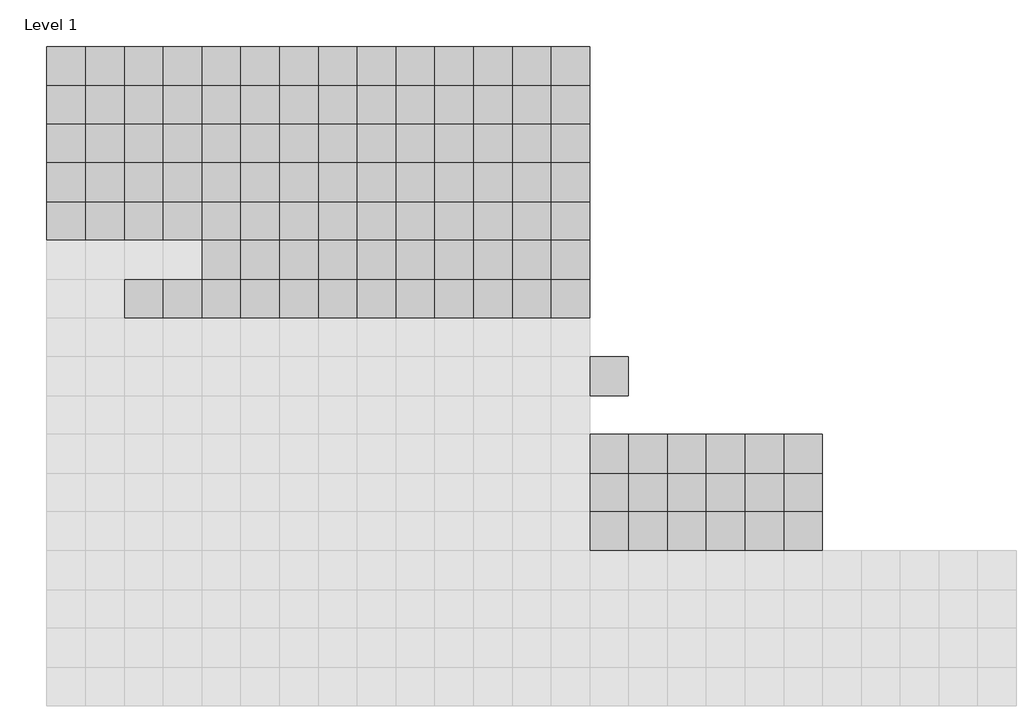
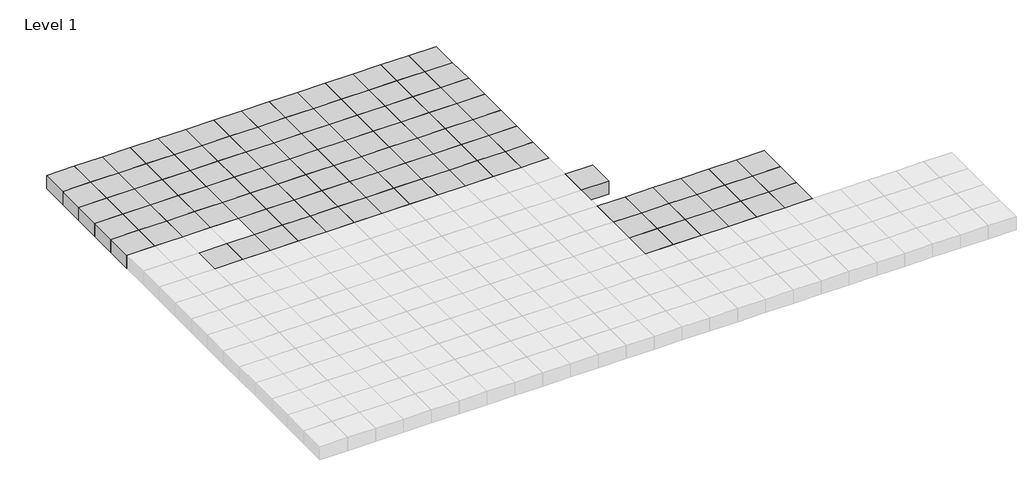
# One storey, part 25 of 30: 111 columns.
"""IFC4 building model written with IfcOpenShell, lengths in millimetres."""

import ifcopenshell
import ifcopenshell.guid

model = None  # the IFC model being written
_history = None  # IfcOwnerHistory: only IFC2X3 demands one
_inside = {}  # id of a spatial element -> (the spatial element, [elements in it])
_under = {}  # id of a project, library or spatial element -> (it, [spatial elements below it])
_declared = {}  # id of a project -> (the project, [libraries it declares])
_typed = {}  # id of a type object -> (the type object, [elements of that type])
_made_of = {}  # id of a material, layer set ... -> (it, [elements and type objects made of it])


def new_model(schema):
    """Start an empty IFC model of exactly this schema.

    Asked for "IFC4X3", IfcOpenShell would pick the latest addendum, in which some entities
    have other attributes; the version numbers below select the first issue.
    IFC2X3 requires an IfcOwnerHistory on every rooted entity: one is made here for all.
    """
    global model, _history
    if schema == "IFC4X3":
        model = ifcopenshell.file(schema_version=(4, 3, 0, 0))
    else:
        model = ifcopenshell.file(schema=schema)
    _inside.clear()
    _under.clear()
    _declared.clear()
    _typed.clear()
    _made_of.clear()
    _history = None
    if model.schema == "IFC2X3":
        org = make("IfcOrganization", Name="unknown")
        user = make(
            "IfcPersonAndOrganization",
            ThePerson=make("IfcPerson", FamilyName="unknown"),
            TheOrganization=org,
        )
        app = make(
            "IfcApplication",
            ApplicationDeveloper=org,
            Version="unknown",
            ApplicationFullName="unknown",
            ApplicationIdentifier="unknown",
        )
        _history = make(
            "IfcOwnerHistory",
            OwningUser=user,
            OwningApplication=app,
            ChangeAction="ADDED",
            CreationDate=0,
        )
    return model


def make(cls, **values):
    """One entity of the class cls with the attributes given. An attribute that is None is left unset."""
    return model.create_entity(
        cls, **{name: value for name, value in values.items() if value is not None}
    )


def rooted(cls, **values):
    """An entity with a GlobalId (a new one), such as an element, a storey or a relation."""
    return make(cls, GlobalId=ifcopenshell.guid.new(), OwnerHistory=_history, **values)


def si_unit(unit_type, name, prefix=None):
    """IfcSIUnit, for example si_unit("LENGTHUNIT", "METRE", prefix="MILLI")."""
    return make("IfcSIUnit", UnitType=unit_type, Prefix=prefix, Name=name)


def assignment(units):
    """IfcUnitAssignment: the units of a project."""
    return None if units is None else make("IfcUnitAssignment", Units=units)


def point(xyz):
    """IfcCartesianPoint."""
    return None if xyz is None else make("IfcCartesianPoint", Coordinates=xyz)


def direction(xyz):
    """IfcDirection."""
    return None if xyz is None else make("IfcDirection", DirectionRatios=xyz)


def frame(location, z_axis=None, x_axis=None):
    """IfcAxis2Placement3D, a coordinate frame: its origin and axes. An axis left out is left unset."""
    return make(
        "IfcAxis2Placement3D",
        Location=point(location),
        Axis=direction(z_axis),
        RefDirection=direction(x_axis),
    )


def origin():
    """The frame at (0, 0, 0) with its axes left unset."""
    return frame((0.0, 0.0, 0.0))


def origin_with_axes():
    """The frame at (0, 0, 0) with the z axis (0, 0, 1) and the x axis (1, 0, 0) written out."""
    return frame((0.0, 0.0, 0.0), z_axis=(0.0, 0.0, 1.0), x_axis=(1.0, 0.0, 0.0))


def place(relative_to, where):
    """IfcLocalPlacement: puts the frame where relative to a parent placement (None: the world)."""
    return make(
        "IfcLocalPlacement", PlacementRelTo=relative_to, RelativePlacement=where
    )


def context(
    kind, dimensions, precision=None, world=None, true_north=None, identifier=None
):
    """IfcGeometricRepresentationContext, for example the 3D "Model" context."""
    return make(
        "IfcGeometricRepresentationContext",
        ContextIdentifier=identifier,
        ContextType=kind,
        CoordinateSpaceDimension=dimensions,
        Precision=precision,
        WorldCoordinateSystem=world,
        TrueNorth=true_north,
    )


def project(units=None, contexts=None):
    """IfcProject with its units and contexts."""
    return rooted(
        "IfcProject",
        Name="project",
        RepresentationContexts=contexts,
        UnitsInContext=assignment(units),
    )


def spatial(cls, under=None, at=None, **own):
    """A site, building, storey or space (cls), placed at a placement, below another one or the project."""
    s = rooted(cls, ObjectPlacement=at, **own)
    if under is not None:
        _under.setdefault(under.id(), (under, []))[1].append(s)
    return s


def polyline(points):
    """IfcPolyline through the points."""
    return make("IfcPolyline", Points=[point(p) for p in points])


def outline(outer, holes=None, kind="AREA"):
    """IfcArbitraryClosedProfileDef: a profile drawn as a closed curve; with holes, ...WithVoids."""
    if holes is None:
        return make("IfcArbitraryClosedProfileDef", ProfileType=kind, OuterCurve=outer)
    return make(
        "IfcArbitraryProfileDefWithVoids",
        ProfileType=kind,
        OuterCurve=outer,
        InnerCurves=holes,
    )


def extrude(swept, where, along, depth):
    """IfcExtrudedAreaSolid: the profile swept, set in the frame where, extruded along a direction by depth."""
    return make(
        "IfcExtrudedAreaSolid",
        SweptArea=swept,
        Position=where,
        ExtrudedDirection=direction(along),
        Depth=depth,
    )


def shape(context_of_items, identifier, shape_type, items):
    """IfcShapeRepresentation: the items that make up one representation, for example the "Body"."""
    return make(
        "IfcShapeRepresentation",
        ContextOfItems=context_of_items,
        RepresentationIdentifier=identifier,
        RepresentationType=shape_type,
        Items=items,
    )


def source(mapping_origin, context_of_items, identifier, shape_type, items):
    """IfcRepresentationMap: a shape defined once, which mapped items show again and again."""
    return make(
        "IfcRepresentationMap",
        MappingOrigin=mapping_origin,
        MappedRepresentation=shape(context_of_items, identifier, shape_type, items),
    )


def transform(
    local_origin,
    x_axis=None,
    y_axis=None,
    z_axis=None,
    scale=None,
    scale2=None,
    scale3=None,
    uniform=True,
):
    """IfcCartesianTransformationOperator3D, or its non-uniform kind. x_axis, y_axis, z_axis: its Axis1, 2, 3."""
    if uniform:
        return make(
            "IfcCartesianTransformationOperator3D",
            Axis1=direction(x_axis),
            Axis2=direction(y_axis),
            LocalOrigin=point(local_origin),
            Scale=scale,
            Axis3=direction(z_axis),
        )
    return make(
        "IfcCartesianTransformationOperator3DnonUniform",
        Axis1=direction(x_axis),
        Axis2=direction(y_axis),
        LocalOrigin=point(local_origin),
        Scale=scale,
        Axis3=direction(z_axis),
        Scale2=scale2,
        Scale3=scale3,
    )


def mapped(mapping_source, mapping_target):
    """IfcMappedItem: shows the shape of a source again, moved by a transform."""
    return make(
        "IfcMappedItem", MappingSource=mapping_source, MappingTarget=mapping_target
    )


def made_of(thing, what):
    """Note that an element or type object is made of a material, layer set ...; save() writes the relation."""
    if what is not None:
        _made_of.setdefault(what.id(), (what, []))[1].append(thing)
    return thing


def element(
    cls,
    number,
    at=None,
    inside=None,
    cuts=None,
    type_object=None,
    material=None,
    context=None,
    identifier="Body",
    shape_type=None,
    held_by="IfcProductDefinitionShape",
    body=None,
    shapes=None,
    **own,
):
    """One element of the class cls, such as IfcWall. Its Tag is "e" and its number.

    at: its placement. inside: the storey or other place that contains it. cuts: it is an
    opening in that element (IfcRelVoidsElement). A single representation is given by context,
    identifier, shape_type and body (its items); several are given by shapes. held_by: the class
    of the entity that holds the representations. save() writes the other relations.
    """
    e = rooted(cls, Tag="e%d" % number, ObjectPlacement=at, **own)
    if body is not None:
        shapes = [shape(context, identifier, shape_type, body)]
    if shapes is not None:
        e.Representation = make(held_by, Representations=shapes)
    if inside is not None:
        _inside.setdefault(inside.id(), (inside, []))[1].append(e)
    if cuts is not None:
        rooted(
            "IfcRelVoidsElement", RelatingBuildingElement=cuts, RelatedOpeningElement=e
        )
    if type_object is not None:
        _typed.setdefault(type_object.id(), (type_object, []))[1].append(e)
    return made_of(e, material)


def aggregate(whole, parts):
    """IfcRelAggregates: a whole, such as a stair, and the parts it consists of."""
    return rooted("IfcRelAggregates", RelatingObject=whole, RelatedObjects=parts)


def save(model, path):
    """Write the relations noted so far, then the file.

    IfcRelAggregates (storeys below a building ...), IfcRelContainedInSpatialStructure (elements
    in a storey), IfcRelDefinesByType, IfcRelAssociatesMaterial and IfcRelDeclares: one each for
    every whole, place, type object, material and project.
    """
    for whole, parts in _under.values():
        aggregate(whole, parts)
    for where, things in _inside.values():
        rooted(
            "IfcRelContainedInSpatialStructure",
            RelatedElements=things,
            RelatingStructure=where,
        )
    for kind, things in _typed.values():
        rooted("IfcRelDefinesByType", RelatedObjects=things, RelatingType=kind)
    for what, things in _made_of.values():
        rooted("IfcRelAssociatesMaterial", RelatedObjects=things, RelatingMaterial=what)
    for by, libraries in _declared.values():
        rooted("IfcRelDeclares", RelatingContext=by, RelatedDefinitions=libraries)
    model.write(path)


def m_concrete_square_column_600_x_600mm_cc081a69(model_context):
    return source(origin(), model_context, "Body", "SweptSolid", [
        extrude(outline(polyline([(300.0, 300.0), (300.0, -300.0), (-300.0, -300.0), (-300.0, 300.0), (300.0, 300.0)])), origin_with_axes(), (0.0, 0.0, 1.0), 300.0),
    ])


model = new_model("IFC4")

# Units and contexts
model_context = context("Model", 3, world=origin())
ifc_project = project(units=[si_unit("LENGTHUNIT", "METRE", prefix="MILLI")], contexts=[model_context])

# Site, building, storey
site = spatial("IfcSite", under=ifc_project)
building = spatial("IfcBuilding", under=site)
storey = spatial("IfcBuildingStorey", under=building, Name="Level 1", Elevation=0.0)

# Columns
placement = place(None, origin())
m_concrete_square_column_600_x_600mm_shape = m_concrete_square_column_600_x_600mm_cc081a69(model_context)
element("IfcColumn", 1, ObjectType="M_Concrete-Square-Column : 600 x 600mm", at=placement, inside=storey, context=model_context, shape_type="MappedRepresentation", body=[
    mapped(m_concrete_square_column_600_x_600mm_shape, transform((96050.9001936, 15669.0976583, 0.0), x_axis=(1.0, 0.0, 0.0), y_axis=(0.0, 1.0, 0.0), z_axis=(0.0, 0.0, 1.0))),
])
element("IfcColumn", 2, ObjectType="M_Concrete-Square-Column : 600 x 600mm", at=placement, inside=storey, context=model_context, shape_type="MappedRepresentation", body=[
    mapped(m_concrete_square_column_600_x_600mm_shape, transform((96650.9001936, 15669.0976583, 0.0), x_axis=(1.0, 0.0, 0.0), y_axis=(0.0, 1.0, 0.0), z_axis=(0.0, 0.0, 1.0))),
])
element("IfcColumn", 3, ObjectType="M_Concrete-Square-Column : 600 x 600mm", at=placement, inside=storey, context=model_context, shape_type="MappedRepresentation", body=[
    mapped(m_concrete_square_column_600_x_600mm_shape, transform((97250.9001936, 15669.0976583, 0.0), x_axis=(1.0, 0.0, 0.0), y_axis=(0.0, 1.0, 0.0), z_axis=(0.0, 0.0, 1.0))),
])
element("IfcColumn", 4, ObjectType="M_Concrete-Square-Column : 600 x 600mm", at=placement, inside=storey, context=model_context, shape_type="MappedRepresentation", body=[
    mapped(m_concrete_square_column_600_x_600mm_shape, transform((97850.9001936, 15669.0976583, 0.0), x_axis=(1.0, 0.0, 0.0), y_axis=(0.0, 1.0, 0.0), z_axis=(0.0, 0.0, 1.0))),
])
element("IfcColumn", 5, ObjectType="M_Concrete-Square-Column : 600 x 600mm", at=placement, inside=storey, context=model_context, shape_type="MappedRepresentation", body=[
    mapped(m_concrete_square_column_600_x_600mm_shape, transform((98450.9001936, 15669.0976583, 0.0), x_axis=(1.0, 0.0, 0.0), y_axis=(0.0, 1.0, 0.0), z_axis=(0.0, 0.0, 1.0))),
])
element("IfcColumn", 6, ObjectType="M_Concrete-Square-Column : 600 x 600mm", at=placement, inside=storey, context=model_context, shape_type="MappedRepresentation", body=[
    mapped(m_concrete_square_column_600_x_600mm_shape, transform((96050.9001936, 15069.0976583, 0.0), x_axis=(1.0, 0.0, 0.0), y_axis=(0.0, 1.0, 0.0), z_axis=(0.0, 0.0, 1.0))),
])
element("IfcColumn", 7, ObjectType="M_Concrete-Square-Column : 600 x 600mm", at=placement, inside=storey, context=model_context, shape_type="MappedRepresentation", body=[
    mapped(m_concrete_square_column_600_x_600mm_shape, transform((96650.9001936, 15069.0976583, 0.0), x_axis=(1.0, 0.0, 0.0), y_axis=(0.0, 1.0, 0.0), z_axis=(0.0, 0.0, 1.0))),
])
element("IfcColumn", 8, ObjectType="M_Concrete-Square-Column : 600 x 600mm", at=placement, inside=storey, context=model_context, shape_type="MappedRepresentation", body=[
    mapped(m_concrete_square_column_600_x_600mm_shape, transform((97250.9001936, 15069.0976583, 0.0), x_axis=(1.0, 0.0, 0.0), y_axis=(0.0, 1.0, 0.0), z_axis=(0.0, 0.0, 1.0))),
])
element("IfcColumn", 9, ObjectType="M_Concrete-Square-Column : 600 x 600mm", at=placement, inside=storey, context=model_context, shape_type="MappedRepresentation", body=[
    mapped(m_concrete_square_column_600_x_600mm_shape, transform((97850.9001936, 15069.0976583, 0.0), x_axis=(1.0, 0.0, 0.0), y_axis=(0.0, 1.0, 0.0), z_axis=(0.0, 0.0, 1.0))),
])
element("IfcColumn", 10, ObjectType="M_Concrete-Square-Column : 600 x 600mm", at=placement, inside=storey, context=model_context, shape_type="MappedRepresentation", body=[
    mapped(m_concrete_square_column_600_x_600mm_shape, transform((98450.9001936, 15069.0976583, 0.0), x_axis=(1.0, 0.0, 0.0), y_axis=(0.0, 1.0, 0.0), z_axis=(0.0, 0.0, 1.0))),
])
element("IfcColumn", 11, ObjectType="M_Concrete-Square-Column : 600 x 600mm", at=placement, inside=storey, context=model_context, shape_type="MappedRepresentation", body=[
    mapped(m_concrete_square_column_600_x_600mm_shape, transform((96050.9001936, 14469.0976583, 0.0), x_axis=(1.0, 0.0, 0.0), y_axis=(0.0, 1.0, 0.0), z_axis=(0.0, 0.0, 1.0))),
])
element("IfcColumn", 12, ObjectType="M_Concrete-Square-Column : 600 x 600mm", at=placement, inside=storey, context=model_context, shape_type="MappedRepresentation", body=[
    mapped(m_concrete_square_column_600_x_600mm_shape, transform((96650.9001936, 14469.0976583, 0.0), x_axis=(1.0, 0.0, 0.0), y_axis=(0.0, 1.0, 0.0), z_axis=(0.0, 0.0, 1.0))),
])
element("IfcColumn", 13, ObjectType="M_Concrete-Square-Column : 600 x 600mm", at=placement, inside=storey, context=model_context, shape_type="MappedRepresentation", body=[
    mapped(m_concrete_square_column_600_x_600mm_shape, transform((97250.9001936, 14469.0976583, 0.0), x_axis=(1.0, 0.0, 0.0), y_axis=(0.0, 1.0, 0.0), z_axis=(0.0, 0.0, 1.0))),
])
element("IfcColumn", 14, ObjectType="M_Concrete-Square-Column : 600 x 600mm", at=placement, inside=storey, context=model_context, shape_type="MappedRepresentation", body=[
    mapped(m_concrete_square_column_600_x_600mm_shape, transform((97850.9001936, 14469.0976583, 0.0), x_axis=(1.0, 0.0, 0.0), y_axis=(0.0, 1.0, 0.0), z_axis=(0.0, 0.0, 1.0))),
])
element("IfcColumn", 15, ObjectType="M_Concrete-Square-Column : 600 x 600mm", at=placement, inside=storey, context=model_context, shape_type="MappedRepresentation", body=[
    mapped(m_concrete_square_column_600_x_600mm_shape, transform((98450.9001936, 14469.0976583, 0.0), x_axis=(1.0, 0.0, 0.0), y_axis=(0.0, 1.0, 0.0), z_axis=(0.0, 0.0, 1.0))),
])
element("IfcColumn", 16, ObjectType="M_Concrete-Square-Column : 600 x 600mm", at=placement, inside=storey, context=model_context, shape_type="MappedRepresentation", body=[
    mapped(m_concrete_square_column_600_x_600mm_shape, transform((99050.9001936, 15669.0976583, 0.0), x_axis=(1.0, 0.0, 0.0), y_axis=(0.0, 1.0, 0.0), z_axis=(0.0, 0.0, 1.0))),
])
element("IfcColumn", 17, ObjectType="M_Concrete-Square-Column : 600 x 600mm", at=placement, inside=storey, context=model_context, shape_type="MappedRepresentation", body=[
    mapped(m_concrete_square_column_600_x_600mm_shape, transform((99650.9001936, 15669.0976583, 0.0), x_axis=(1.0, 0.0, 0.0), y_axis=(0.0, 1.0, 0.0), z_axis=(0.0, 0.0, 1.0))),
])
element("IfcColumn", 18, ObjectType="M_Concrete-Square-Column : 600 x 600mm", at=placement, inside=storey, context=model_context, shape_type="MappedRepresentation", body=[
    mapped(m_concrete_square_column_600_x_600mm_shape, transform((100250.9001936, 15669.0976583, 0.0), x_axis=(1.0, 0.0, 0.0), y_axis=(0.0, 1.0, 0.0), z_axis=(0.0, 0.0, 1.0))),
])
element("IfcColumn", 19, ObjectType="M_Concrete-Square-Column : 600 x 600mm", at=placement, inside=storey, context=model_context, shape_type="MappedRepresentation", body=[
    mapped(m_concrete_square_column_600_x_600mm_shape, transform((100850.9001936, 15669.0976583, 0.0), x_axis=(1.0, 0.0, 0.0), y_axis=(0.0, 1.0, 0.0), z_axis=(0.0, 0.0, 1.0))),
])
element("IfcColumn", 20, ObjectType="M_Concrete-Square-Column : 600 x 600mm", at=placement, inside=storey, context=model_context, shape_type="MappedRepresentation", body=[
    mapped(m_concrete_square_column_600_x_600mm_shape, transform((101450.9001936, 15669.0976583, 0.0), x_axis=(1.0, 0.0, 0.0), y_axis=(0.0, 1.0, 0.0), z_axis=(0.0, 0.0, 1.0))),
])
element("IfcColumn", 21, ObjectType="M_Concrete-Square-Column : 600 x 600mm", at=placement, inside=storey, context=model_context, shape_type="MappedRepresentation", body=[
    mapped(m_concrete_square_column_600_x_600mm_shape, transform((99050.9001936, 15069.0976583, 0.0), x_axis=(1.0, 0.0, 0.0), y_axis=(0.0, 1.0, 0.0), z_axis=(0.0, 0.0, 1.0))),
])
element("IfcColumn", 22, ObjectType="M_Concrete-Square-Column : 600 x 600mm", at=placement, inside=storey, context=model_context, shape_type="MappedRepresentation", body=[
    mapped(m_concrete_square_column_600_x_600mm_shape, transform((99650.9001936, 15069.0976583, 0.0), x_axis=(1.0, 0.0, 0.0), y_axis=(0.0, 1.0, 0.0), z_axis=(0.0, 0.0, 1.0))),
])
element("IfcColumn", 23, ObjectType="M_Concrete-Square-Column : 600 x 600mm", at=placement, inside=storey, context=model_context, shape_type="MappedRepresentation", body=[
    mapped(m_concrete_square_column_600_x_600mm_shape, transform((100250.9001936, 15069.0976583, 0.0), x_axis=(1.0, 0.0, 0.0), y_axis=(0.0, 1.0, 0.0), z_axis=(0.0, 0.0, 1.0))),
])
element("IfcColumn", 24, ObjectType="M_Concrete-Square-Column : 600 x 600mm", at=placement, inside=storey, context=model_context, shape_type="MappedRepresentation", body=[
    mapped(m_concrete_square_column_600_x_600mm_shape, transform((100850.9001936, 15069.0976583, 0.0), x_axis=(1.0, 0.0, 0.0), y_axis=(0.0, 1.0, 0.0), z_axis=(0.0, 0.0, 1.0))),
])
element("IfcColumn", 25, ObjectType="M_Concrete-Square-Column : 600 x 600mm", at=placement, inside=storey, context=model_context, shape_type="MappedRepresentation", body=[
    mapped(m_concrete_square_column_600_x_600mm_shape, transform((101450.9001936, 15069.0976583, 0.0), x_axis=(1.0, 0.0, 0.0), y_axis=(0.0, 1.0, 0.0), z_axis=(0.0, 0.0, 1.0))),
])
element("IfcColumn", 26, ObjectType="M_Concrete-Square-Column : 600 x 600mm", at=placement, inside=storey, context=model_context, shape_type="MappedRepresentation", body=[
    mapped(m_concrete_square_column_600_x_600mm_shape, transform((99050.9001936, 14469.0976583, 0.0), x_axis=(1.0, 0.0, 0.0), y_axis=(0.0, 1.0, 0.0), z_axis=(0.0, 0.0, 1.0))),
])
element("IfcColumn", 27, ObjectType="M_Concrete-Square-Column : 600 x 600mm", at=placement, inside=storey, context=model_context, shape_type="MappedRepresentation", body=[
    mapped(m_concrete_square_column_600_x_600mm_shape, transform((99650.9001936, 14469.0976583, 0.0), x_axis=(1.0, 0.0, 0.0), y_axis=(0.0, 1.0, 0.0), z_axis=(0.0, 0.0, 1.0))),
])
element("IfcColumn", 28, ObjectType="M_Concrete-Square-Column : 600 x 600mm", at=placement, inside=storey, context=model_context, shape_type="MappedRepresentation", body=[
    mapped(m_concrete_square_column_600_x_600mm_shape, transform((100250.9001936, 14469.0976583, 0.0), x_axis=(1.0, 0.0, 0.0), y_axis=(0.0, 1.0, 0.0), z_axis=(0.0, 0.0, 1.0))),
])
element("IfcColumn", 29, ObjectType="M_Concrete-Square-Column : 600 x 600mm", at=placement, inside=storey, context=model_context, shape_type="MappedRepresentation", body=[
    mapped(m_concrete_square_column_600_x_600mm_shape, transform((100850.9001936, 14469.0976583, 0.0), x_axis=(1.0, 0.0, 0.0), y_axis=(0.0, 1.0, 0.0), z_axis=(0.0, 0.0, 1.0))),
])
element("IfcColumn", 30, ObjectType="M_Concrete-Square-Column : 600 x 600mm", at=placement, inside=storey, context=model_context, shape_type="MappedRepresentation", body=[
    mapped(m_concrete_square_column_600_x_600mm_shape, transform((101450.9001936, 14469.0976583, 0.0), x_axis=(1.0, 0.0, 0.0), y_axis=(0.0, 1.0, 0.0), z_axis=(0.0, 0.0, 1.0))),
])
element("IfcColumn", 31, ObjectType="M_Concrete-Square-Column : 600 x 600mm", at=placement, inside=storey, context=model_context, shape_type="MappedRepresentation", body=[
    mapped(m_concrete_square_column_600_x_600mm_shape, transform((102050.9001936, 15669.0976583, 0.0), x_axis=(1.0, 0.0, 0.0), y_axis=(0.0, 1.0, 0.0), z_axis=(0.0, 0.0, 1.0))),
])
element("IfcColumn", 32, ObjectType="M_Concrete-Square-Column : 600 x 600mm", at=placement, inside=storey, context=model_context, shape_type="MappedRepresentation", body=[
    mapped(m_concrete_square_column_600_x_600mm_shape, transform((102650.9001936, 15669.0976583, 0.0), x_axis=(1.0, 0.0, 0.0), y_axis=(0.0, 1.0, 0.0), z_axis=(0.0, 0.0, 1.0))),
])
element("IfcColumn", 33, ObjectType="M_Concrete-Square-Column : 600 x 600mm", at=placement, inside=storey, context=model_context, shape_type="MappedRepresentation", body=[
    mapped(m_concrete_square_column_600_x_600mm_shape, transform((103250.9001936, 15669.0976583, 0.0), x_axis=(1.0, 0.0, 0.0), y_axis=(0.0, 1.0, 0.0), z_axis=(0.0, 0.0, 1.0))),
])
element("IfcColumn", 34, ObjectType="M_Concrete-Square-Column : 600 x 600mm", at=placement, inside=storey, context=model_context, shape_type="MappedRepresentation", body=[
    mapped(m_concrete_square_column_600_x_600mm_shape, transform((103850.9001936, 15669.0976583, 0.0), x_axis=(1.0, 0.0, 0.0), y_axis=(0.0, 1.0, 0.0), z_axis=(0.0, 0.0, 1.0))),
])
element("IfcColumn", 35, ObjectType="M_Concrete-Square-Column : 600 x 600mm", at=placement, inside=storey, context=model_context, shape_type="MappedRepresentation", body=[
    mapped(m_concrete_square_column_600_x_600mm_shape, transform((102050.9001936, 15069.0976583, 0.0), x_axis=(1.0, 0.0, 0.0), y_axis=(0.0, 1.0, 0.0), z_axis=(0.0, 0.0, 1.0))),
])
element("IfcColumn", 36, ObjectType="M_Concrete-Square-Column : 600 x 600mm", at=placement, inside=storey, context=model_context, shape_type="MappedRepresentation", body=[
    mapped(m_concrete_square_column_600_x_600mm_shape, transform((102650.9001936, 15069.0976583, 0.0), x_axis=(1.0, 0.0, 0.0), y_axis=(0.0, 1.0, 0.0), z_axis=(0.0, 0.0, 1.0))),
])
element("IfcColumn", 37, ObjectType="M_Concrete-Square-Column : 600 x 600mm", at=placement, inside=storey, context=model_context, shape_type="MappedRepresentation", body=[
    mapped(m_concrete_square_column_600_x_600mm_shape, transform((103250.9001936, 15069.0976583, 0.0), x_axis=(1.0, 0.0, 0.0), y_axis=(0.0, 1.0, 0.0), z_axis=(0.0, 0.0, 1.0))),
])
element("IfcColumn", 38, ObjectType="M_Concrete-Square-Column : 600 x 600mm", at=placement, inside=storey, context=model_context, shape_type="MappedRepresentation", body=[
    mapped(m_concrete_square_column_600_x_600mm_shape, transform((103850.9001936, 15069.0976583, 0.0), x_axis=(1.0, 0.0, 0.0), y_axis=(0.0, 1.0, 0.0), z_axis=(0.0, 0.0, 1.0))),
])
element("IfcColumn", 39, ObjectType="M_Concrete-Square-Column : 600 x 600mm", at=placement, inside=storey, context=model_context, shape_type="MappedRepresentation", body=[
    mapped(m_concrete_square_column_600_x_600mm_shape, transform((102050.9001936, 14469.0976583, 0.0), x_axis=(1.0, 0.0, 0.0), y_axis=(0.0, 1.0, 0.0), z_axis=(0.0, 0.0, 1.0))),
])
element("IfcColumn", 40, ObjectType="M_Concrete-Square-Column : 600 x 600mm", at=placement, inside=storey, context=model_context, shape_type="MappedRepresentation", body=[
    mapped(m_concrete_square_column_600_x_600mm_shape, transform((102650.9001936, 14469.0976583, 0.0), x_axis=(1.0, 0.0, 0.0), y_axis=(0.0, 1.0, 0.0), z_axis=(0.0, 0.0, 1.0))),
])
element("IfcColumn", 41, ObjectType="M_Concrete-Square-Column : 600 x 600mm", at=placement, inside=storey, context=model_context, shape_type="MappedRepresentation", body=[
    mapped(m_concrete_square_column_600_x_600mm_shape, transform((103250.9001936, 14469.0976583, 0.0), x_axis=(1.0, 0.0, 0.0), y_axis=(0.0, 1.0, 0.0), z_axis=(0.0, 0.0, 1.0))),
])
element("IfcColumn", 42, ObjectType="M_Concrete-Square-Column : 600 x 600mm", at=placement, inside=storey, context=model_context, shape_type="MappedRepresentation", body=[
    mapped(m_concrete_square_column_600_x_600mm_shape, transform((103850.9001936, 14469.0976583, 0.0), x_axis=(1.0, 0.0, 0.0), y_axis=(0.0, 1.0, 0.0), z_axis=(0.0, 0.0, 1.0))),
])
element("IfcColumn", 43, ObjectType="M_Concrete-Square-Column : 600 x 600mm", at=placement, inside=storey, context=model_context, shape_type="MappedRepresentation", body=[
    mapped(m_concrete_square_column_600_x_600mm_shape, transform((96050.9001936, 13869.0976583, 0.0), x_axis=(1.0, 0.0, 0.0), y_axis=(0.0, 1.0, 0.0), z_axis=(0.0, 0.0, 1.0))),
])
element("IfcColumn", 44, ObjectType="M_Concrete-Square-Column : 600 x 600mm", at=placement, inside=storey, context=model_context, shape_type="MappedRepresentation", body=[
    mapped(m_concrete_square_column_600_x_600mm_shape, transform((96650.9001936, 13869.0976583, 0.0), x_axis=(1.0, 0.0, 0.0), y_axis=(0.0, 1.0, 0.0), z_axis=(0.0, 0.0, 1.0))),
])
element("IfcColumn", 45, ObjectType="M_Concrete-Square-Column : 600 x 600mm", at=placement, inside=storey, context=model_context, shape_type="MappedRepresentation", body=[
    mapped(m_concrete_square_column_600_x_600mm_shape, transform((97250.9001936, 13869.0976583, 0.0), x_axis=(1.0, 0.0, 0.0), y_axis=(0.0, 1.0, 0.0), z_axis=(0.0, 0.0, 1.0))),
])
element("IfcColumn", 46, ObjectType="M_Concrete-Square-Column : 600 x 600mm", at=placement, inside=storey, context=model_context, shape_type="MappedRepresentation", body=[
    mapped(m_concrete_square_column_600_x_600mm_shape, transform((97850.9001936, 13869.0976583, 0.0), x_axis=(1.0, 0.0, 0.0), y_axis=(0.0, 1.0, 0.0), z_axis=(0.0, 0.0, 1.0))),
])
element("IfcColumn", 47, ObjectType="M_Concrete-Square-Column : 600 x 600mm", at=placement, inside=storey, context=model_context, shape_type="MappedRepresentation", body=[
    mapped(m_concrete_square_column_600_x_600mm_shape, transform((98450.9001936, 13869.0976583, 0.0), x_axis=(1.0, 0.0, 0.0), y_axis=(0.0, 1.0, 0.0), z_axis=(0.0, 0.0, 1.0))),
])
element("IfcColumn", 48, ObjectType="M_Concrete-Square-Column : 600 x 600mm", at=placement, inside=storey, context=model_context, shape_type="MappedRepresentation", body=[
    mapped(m_concrete_square_column_600_x_600mm_shape, transform((96050.9001936, 13269.0976583, 0.0), x_axis=(1.0, 0.0, 0.0), y_axis=(0.0, 1.0, 0.0), z_axis=(0.0, 0.0, 1.0))),
])
element("IfcColumn", 49, ObjectType="M_Concrete-Square-Column : 600 x 600mm", at=placement, inside=storey, context=model_context, shape_type="MappedRepresentation", body=[
    mapped(m_concrete_square_column_600_x_600mm_shape, transform((96650.9001936, 13269.0976583, 0.0), x_axis=(1.0, 0.0, 0.0), y_axis=(0.0, 1.0, 0.0), z_axis=(0.0, 0.0, 1.0))),
])
element("IfcColumn", 50, ObjectType="M_Concrete-Square-Column : 600 x 600mm", at=placement, inside=storey, context=model_context, shape_type="MappedRepresentation", body=[
    mapped(m_concrete_square_column_600_x_600mm_shape, transform((97250.9001936, 13269.0976583, 0.0), x_axis=(1.0, 0.0, 0.0), y_axis=(0.0, 1.0, 0.0), z_axis=(0.0, 0.0, 1.0))),
])
element("IfcColumn", 51, ObjectType="M_Concrete-Square-Column : 600 x 600mm", at=placement, inside=storey, context=model_context, shape_type="MappedRepresentation", body=[
    mapped(m_concrete_square_column_600_x_600mm_shape, transform((97850.9001936, 13269.0976583, 0.0), x_axis=(1.0, 0.0, 0.0), y_axis=(0.0, 1.0, 0.0), z_axis=(0.0, 0.0, 1.0))),
])
element("IfcColumn", 52, ObjectType="M_Concrete-Square-Column : 600 x 600mm", at=placement, inside=storey, context=model_context, shape_type="MappedRepresentation", body=[
    mapped(m_concrete_square_column_600_x_600mm_shape, transform((98450.9001936, 13269.0976583, 0.0), x_axis=(1.0, 0.0, 0.0), y_axis=(0.0, 1.0, 0.0), z_axis=(0.0, 0.0, 1.0))),
])
element("IfcColumn", 53, ObjectType="M_Concrete-Square-Column : 600 x 600mm", at=placement, inside=storey, context=model_context, shape_type="MappedRepresentation", body=[
    mapped(m_concrete_square_column_600_x_600mm_shape, transform((98450.9001936, 12669.0976583, 0.0), x_axis=(1.0, 0.0, 0.0), y_axis=(0.0, 1.0, 0.0), z_axis=(0.0, 0.0, 1.0))),
])
element("IfcColumn", 54, ObjectType="M_Concrete-Square-Column : 600 x 600mm", at=placement, inside=storey, context=model_context, shape_type="MappedRepresentation", body=[
    mapped(m_concrete_square_column_600_x_600mm_shape, transform((97250.9001936, 12069.0976583, 0.0), x_axis=(1.0, 0.0, 0.0), y_axis=(0.0, 1.0, 0.0), z_axis=(0.0, 0.0, 1.0))),
])
element("IfcColumn", 55, ObjectType="M_Concrete-Square-Column : 600 x 600mm", at=placement, inside=storey, context=model_context, shape_type="MappedRepresentation", body=[
    mapped(m_concrete_square_column_600_x_600mm_shape, transform((97850.9001936, 12069.0976583, 0.0), x_axis=(1.0, 0.0, 0.0), y_axis=(0.0, 1.0, 0.0), z_axis=(0.0, 0.0, 1.0))),
])
element("IfcColumn", 56, ObjectType="M_Concrete-Square-Column : 600 x 600mm", at=placement, inside=storey, context=model_context, shape_type="MappedRepresentation", body=[
    mapped(m_concrete_square_column_600_x_600mm_shape, transform((98450.9001936, 12069.0976583, 0.0), x_axis=(1.0, 0.0, 0.0), y_axis=(0.0, 1.0, 0.0), z_axis=(0.0, 0.0, 1.0))),
])
element("IfcColumn", 57, ObjectType="M_Concrete-Square-Column : 600 x 600mm", at=placement, inside=storey, context=model_context, shape_type="MappedRepresentation", body=[
    mapped(m_concrete_square_column_600_x_600mm_shape, transform((99050.9001936, 13869.0976583, 0.0), x_axis=(1.0, 0.0, 0.0), y_axis=(0.0, 1.0, 0.0), z_axis=(0.0, 0.0, 1.0))),
])
element("IfcColumn", 58, ObjectType="M_Concrete-Square-Column : 600 x 600mm", at=placement, inside=storey, context=model_context, shape_type="MappedRepresentation", body=[
    mapped(m_concrete_square_column_600_x_600mm_shape, transform((99650.9001936, 13869.0976583, 0.0), x_axis=(1.0, 0.0, 0.0), y_axis=(0.0, 1.0, 0.0), z_axis=(0.0, 0.0, 1.0))),
])
element("IfcColumn", 59, ObjectType="M_Concrete-Square-Column : 600 x 600mm", at=placement, inside=storey, context=model_context, shape_type="MappedRepresentation", body=[
    mapped(m_concrete_square_column_600_x_600mm_shape, transform((100250.9001936, 13869.0976583, 0.0), x_axis=(1.0, 0.0, 0.0), y_axis=(0.0, 1.0, 0.0), z_axis=(0.0, 0.0, 1.0))),
])
element("IfcColumn", 60, ObjectType="M_Concrete-Square-Column : 600 x 600mm", at=placement, inside=storey, context=model_context, shape_type="MappedRepresentation", body=[
    mapped(m_concrete_square_column_600_x_600mm_shape, transform((100850.9001936, 13869.0976583, 0.0), x_axis=(1.0, 0.0, 0.0), y_axis=(0.0, 1.0, 0.0), z_axis=(0.0, 0.0, 1.0))),
])
element("IfcColumn", 61, ObjectType="M_Concrete-Square-Column : 600 x 600mm", at=placement, inside=storey, context=model_context, shape_type="MappedRepresentation", body=[
    mapped(m_concrete_square_column_600_x_600mm_shape, transform((101450.9001936, 13869.0976583, 0.0), x_axis=(1.0, 0.0, 0.0), y_axis=(0.0, 1.0, 0.0), z_axis=(0.0, 0.0, 1.0))),
])
element("IfcColumn", 62, ObjectType="M_Concrete-Square-Column : 600 x 600mm", at=placement, inside=storey, context=model_context, shape_type="MappedRepresentation", body=[
    mapped(m_concrete_square_column_600_x_600mm_shape, transform((99050.9001936, 13269.0976583, 0.0), x_axis=(1.0, 0.0, 0.0), y_axis=(0.0, 1.0, 0.0), z_axis=(0.0, 0.0, 1.0))),
])
element("IfcColumn", 63, ObjectType="M_Concrete-Square-Column : 600 x 600mm", at=placement, inside=storey, context=model_context, shape_type="MappedRepresentation", body=[
    mapped(m_concrete_square_column_600_x_600mm_shape, transform((99650.9001936, 13269.0976583, 0.0), x_axis=(1.0, 0.0, 0.0), y_axis=(0.0, 1.0, 0.0), z_axis=(0.0, 0.0, 1.0))),
])
element("IfcColumn", 64, ObjectType="M_Concrete-Square-Column : 600 x 600mm", at=placement, inside=storey, context=model_context, shape_type="MappedRepresentation", body=[
    mapped(m_concrete_square_column_600_x_600mm_shape, transform((100250.9001936, 13269.0976583, 0.0), x_axis=(1.0, 0.0, 0.0), y_axis=(0.0, 1.0, 0.0), z_axis=(0.0, 0.0, 1.0))),
])
element("IfcColumn", 65, ObjectType="M_Concrete-Square-Column : 600 x 600mm", at=placement, inside=storey, context=model_context, shape_type="MappedRepresentation", body=[
    mapped(m_concrete_square_column_600_x_600mm_shape, transform((100850.9001936, 13269.0976583, 0.0), x_axis=(1.0, 0.0, 0.0), y_axis=(0.0, 1.0, 0.0), z_axis=(0.0, 0.0, 1.0))),
])
element("IfcColumn", 66, ObjectType="M_Concrete-Square-Column : 600 x 600mm", at=placement, inside=storey, context=model_context, shape_type="MappedRepresentation", body=[
    mapped(m_concrete_square_column_600_x_600mm_shape, transform((101450.9001936, 13269.0976583, 0.0), x_axis=(1.0, 0.0, 0.0), y_axis=(0.0, 1.0, 0.0), z_axis=(0.0, 0.0, 1.0))),
])
element("IfcColumn", 67, ObjectType="M_Concrete-Square-Column : 600 x 600mm", at=placement, inside=storey, context=model_context, shape_type="MappedRepresentation", body=[
    mapped(m_concrete_square_column_600_x_600mm_shape, transform((99050.9001936, 12669.0976583, 0.0), x_axis=(1.0, 0.0, 0.0), y_axis=(0.0, 1.0, 0.0), z_axis=(0.0, 0.0, 1.0))),
])
element("IfcColumn", 68, ObjectType="M_Concrete-Square-Column : 600 x 600mm", at=placement, inside=storey, context=model_context, shape_type="MappedRepresentation", body=[
    mapped(m_concrete_square_column_600_x_600mm_shape, transform((99650.9001936, 12669.0976583, 0.0), x_axis=(1.0, 0.0, 0.0), y_axis=(0.0, 1.0, 0.0), z_axis=(0.0, 0.0, 1.0))),
])
element("IfcColumn", 69, ObjectType="M_Concrete-Square-Column : 600 x 600mm", at=placement, inside=storey, context=model_context, shape_type="MappedRepresentation", body=[
    mapped(m_concrete_square_column_600_x_600mm_shape, transform((100250.9001936, 12669.0976583, 0.0), x_axis=(1.0, 0.0, 0.0), y_axis=(0.0, 1.0, 0.0), z_axis=(0.0, 0.0, 1.0))),
])
element("IfcColumn", 70, ObjectType="M_Concrete-Square-Column : 600 x 600mm", at=placement, inside=storey, context=model_context, shape_type="MappedRepresentation", body=[
    mapped(m_concrete_square_column_600_x_600mm_shape, transform((100850.9001936, 12669.0976583, 0.0), x_axis=(1.0, 0.0, 0.0), y_axis=(0.0, 1.0, 0.0), z_axis=(0.0, 0.0, 1.0))),
])
element("IfcColumn", 71, ObjectType="M_Concrete-Square-Column : 600 x 600mm", at=placement, inside=storey, context=model_context, shape_type="MappedRepresentation", body=[
    mapped(m_concrete_square_column_600_x_600mm_shape, transform((101450.9001936, 12669.0976583, 0.0), x_axis=(1.0, 0.0, 0.0), y_axis=(0.0, 1.0, 0.0), z_axis=(0.0, 0.0, 1.0))),
])
element("IfcColumn", 72, ObjectType="M_Concrete-Square-Column : 600 x 600mm", at=placement, inside=storey, context=model_context, shape_type="MappedRepresentation", body=[
    mapped(m_concrete_square_column_600_x_600mm_shape, transform((99050.9001936, 12069.0976583, 0.0), x_axis=(1.0, 0.0, 0.0), y_axis=(0.0, 1.0, 0.0), z_axis=(0.0, 0.0, 1.0))),
])
element("IfcColumn", 73, ObjectType="M_Concrete-Square-Column : 600 x 600mm", at=placement, inside=storey, context=model_context, shape_type="MappedRepresentation", body=[
    mapped(m_concrete_square_column_600_x_600mm_shape, transform((99650.9001936, 12069.0976583, 0.0), x_axis=(1.0, 0.0, 0.0), y_axis=(0.0, 1.0, 0.0), z_axis=(0.0, 0.0, 1.0))),
])
element("IfcColumn", 74, ObjectType="M_Concrete-Square-Column : 600 x 600mm", at=placement, inside=storey, context=model_context, shape_type="MappedRepresentation", body=[
    mapped(m_concrete_square_column_600_x_600mm_shape, transform((100250.9001936, 12069.0976583, 0.0), x_axis=(1.0, 0.0, 0.0), y_axis=(0.0, 1.0, 0.0), z_axis=(0.0, 0.0, 1.0))),
])
element("IfcColumn", 75, ObjectType="M_Concrete-Square-Column : 600 x 600mm", at=placement, inside=storey, context=model_context, shape_type="MappedRepresentation", body=[
    mapped(m_concrete_square_column_600_x_600mm_shape, transform((100850.9001936, 12069.0976583, 0.0), x_axis=(1.0, 0.0, 0.0), y_axis=(0.0, 1.0, 0.0), z_axis=(0.0, 0.0, 1.0))),
])
element("IfcColumn", 76, ObjectType="M_Concrete-Square-Column : 600 x 600mm", at=placement, inside=storey, context=model_context, shape_type="MappedRepresentation", body=[
    mapped(m_concrete_square_column_600_x_600mm_shape, transform((101450.9001936, 12069.0976583, 0.0), x_axis=(1.0, 0.0, 0.0), y_axis=(0.0, 1.0, 0.0), z_axis=(0.0, 0.0, 1.0))),
])
element("IfcColumn", 77, ObjectType="M_Concrete-Square-Column : 600 x 600mm", at=placement, inside=storey, context=model_context, shape_type="MappedRepresentation", body=[
    mapped(m_concrete_square_column_600_x_600mm_shape, transform((102050.9001936, 13869.0976583, 0.0), x_axis=(1.0, 0.0, 0.0), y_axis=(0.0, 1.0, 0.0), z_axis=(0.0, 0.0, 1.0))),
])
element("IfcColumn", 78, ObjectType="M_Concrete-Square-Column : 600 x 600mm", at=placement, inside=storey, context=model_context, shape_type="MappedRepresentation", body=[
    mapped(m_concrete_square_column_600_x_600mm_shape, transform((102650.9001936, 13869.0976583, 0.0), x_axis=(1.0, 0.0, 0.0), y_axis=(0.0, 1.0, 0.0), z_axis=(0.0, 0.0, 1.0))),
])
element("IfcColumn", 79, ObjectType="M_Concrete-Square-Column : 600 x 600mm", at=placement, inside=storey, context=model_context, shape_type="MappedRepresentation", body=[
    mapped(m_concrete_square_column_600_x_600mm_shape, transform((103250.9001936, 13869.0976583, 0.0), x_axis=(1.0, 0.0, 0.0), y_axis=(0.0, 1.0, 0.0), z_axis=(0.0, 0.0, 1.0))),
])
element("IfcColumn", 80, ObjectType="M_Concrete-Square-Column : 600 x 600mm", at=placement, inside=storey, context=model_context, shape_type="MappedRepresentation", body=[
    mapped(m_concrete_square_column_600_x_600mm_shape, transform((103850.9001936, 13869.0976583, 0.0), x_axis=(1.0, 0.0, 0.0), y_axis=(0.0, 1.0, 0.0), z_axis=(0.0, 0.0, 1.0))),
])
element("IfcColumn", 81, ObjectType="M_Concrete-Square-Column : 600 x 600mm", at=placement, inside=storey, context=model_context, shape_type="MappedRepresentation", body=[
    mapped(m_concrete_square_column_600_x_600mm_shape, transform((102050.9001936, 13269.0976583, 0.0), x_axis=(1.0, 0.0, 0.0), y_axis=(0.0, 1.0, 0.0), z_axis=(0.0, 0.0, 1.0))),
])
element("IfcColumn", 82, ObjectType="M_Concrete-Square-Column : 600 x 600mm", at=placement, inside=storey, context=model_context, shape_type="MappedRepresentation", body=[
    mapped(m_concrete_square_column_600_x_600mm_shape, transform((102650.9001936, 13269.0976583, 0.0), x_axis=(1.0, 0.0, 0.0), y_axis=(0.0, 1.0, 0.0), z_axis=(0.0, 0.0, 1.0))),
])
element("IfcColumn", 83, ObjectType="M_Concrete-Square-Column : 600 x 600mm", at=placement, inside=storey, context=model_context, shape_type="MappedRepresentation", body=[
    mapped(m_concrete_square_column_600_x_600mm_shape, transform((103250.9001936, 13269.0976583, 0.0), x_axis=(1.0, 0.0, 0.0), y_axis=(0.0, 1.0, 0.0), z_axis=(0.0, 0.0, 1.0))),
])
element("IfcColumn", 84, ObjectType="M_Concrete-Square-Column : 600 x 600mm", at=placement, inside=storey, context=model_context, shape_type="MappedRepresentation", body=[
    mapped(m_concrete_square_column_600_x_600mm_shape, transform((103850.9001936, 13269.0976583, 0.0), x_axis=(1.0, 0.0, 0.0), y_axis=(0.0, 1.0, 0.0), z_axis=(0.0, 0.0, 1.0))),
])
element("IfcColumn", 85, ObjectType="M_Concrete-Square-Column : 600 x 600mm", at=placement, inside=storey, context=model_context, shape_type="MappedRepresentation", body=[
    mapped(m_concrete_square_column_600_x_600mm_shape, transform((102050.9001936, 12669.0976583, 0.0), x_axis=(1.0, 0.0, 0.0), y_axis=(0.0, 1.0, 0.0), z_axis=(0.0, 0.0, 1.0))),
])
element("IfcColumn", 86, ObjectType="M_Concrete-Square-Column : 600 x 600mm", at=placement, inside=storey, context=model_context, shape_type="MappedRepresentation", body=[
    mapped(m_concrete_square_column_600_x_600mm_shape, transform((102650.9001936, 12669.0976583, 0.0), x_axis=(1.0, 0.0, 0.0), y_axis=(0.0, 1.0, 0.0), z_axis=(0.0, 0.0, 1.0))),
])
element("IfcColumn", 87, ObjectType="M_Concrete-Square-Column : 600 x 600mm", at=placement, inside=storey, context=model_context, shape_type="MappedRepresentation", body=[
    mapped(m_concrete_square_column_600_x_600mm_shape, transform((103250.9001936, 12669.0976583, 0.0), x_axis=(1.0, 0.0, 0.0), y_axis=(0.0, 1.0, 0.0), z_axis=(0.0, 0.0, 1.0))),
])
element("IfcColumn", 88, ObjectType="M_Concrete-Square-Column : 600 x 600mm", at=placement, inside=storey, context=model_context, shape_type="MappedRepresentation", body=[
    mapped(m_concrete_square_column_600_x_600mm_shape, transform((103850.9001936, 12669.0976583, 0.0), x_axis=(1.0, 0.0, 0.0), y_axis=(0.0, 1.0, 0.0), z_axis=(0.0, 0.0, 1.0))),
])
element("IfcColumn", 89, ObjectType="M_Concrete-Square-Column : 600 x 600mm", at=placement, inside=storey, context=model_context, shape_type="MappedRepresentation", body=[
    mapped(m_concrete_square_column_600_x_600mm_shape, transform((102050.9001936, 12069.0976583, 0.0), x_axis=(1.0, 0.0, 0.0), y_axis=(0.0, 1.0, 0.0), z_axis=(0.0, 0.0, 1.0))),
])
element("IfcColumn", 90, ObjectType="M_Concrete-Square-Column : 600 x 600mm", at=placement, inside=storey, context=model_context, shape_type="MappedRepresentation", body=[
    mapped(m_concrete_square_column_600_x_600mm_shape, transform((102650.9001936, 12069.0976583, 0.0), x_axis=(1.0, 0.0, 0.0), y_axis=(0.0, 1.0, 0.0), z_axis=(0.0, 0.0, 1.0))),
])
element("IfcColumn", 91, ObjectType="M_Concrete-Square-Column : 600 x 600mm", at=placement, inside=storey, context=model_context, shape_type="MappedRepresentation", body=[
    mapped(m_concrete_square_column_600_x_600mm_shape, transform((103250.9001936, 12069.0976583, 0.0), x_axis=(1.0, 0.0, 0.0), y_axis=(0.0, 1.0, 0.0), z_axis=(0.0, 0.0, 1.0))),
])
element("IfcColumn", 92, ObjectType="M_Concrete-Square-Column : 600 x 600mm", at=placement, inside=storey, context=model_context, shape_type="MappedRepresentation", body=[
    mapped(m_concrete_square_column_600_x_600mm_shape, transform((103850.9001936, 12069.0976583, 0.0), x_axis=(1.0, 0.0, 0.0), y_axis=(0.0, 1.0, 0.0), z_axis=(0.0, 0.0, 1.0))),
])
element("IfcColumn", 93, ObjectType="M_Concrete-Square-Column : 600 x 600mm", at=placement, inside=storey, context=model_context, shape_type="MappedRepresentation", body=[
    mapped(m_concrete_square_column_600_x_600mm_shape, transform((104450.9001936, 10869.0976583, 0.0), x_axis=(1.0, 0.0, 0.0), y_axis=(0.0, 1.0, 0.0), z_axis=(0.0, 0.0, 1.0))),
])
element("IfcColumn", 94, ObjectType="M_Concrete-Square-Column : 600 x 600mm", at=placement, inside=storey, context=model_context, shape_type="MappedRepresentation", body=[
    mapped(m_concrete_square_column_600_x_600mm_shape, transform((104450.9001936, 9669.0976583, 0.0), x_axis=(1.0, 0.0, 0.0), y_axis=(0.0, 1.0, 0.0), z_axis=(0.0, 0.0, 1.0))),
])
element("IfcColumn", 95, ObjectType="M_Concrete-Square-Column : 600 x 600mm", at=placement, inside=storey, context=model_context, shape_type="MappedRepresentation", body=[
    mapped(m_concrete_square_column_600_x_600mm_shape, transform((104450.9001936, 9069.0976583, 0.0), x_axis=(1.0, 0.0, 0.0), y_axis=(0.0, 1.0, 0.0), z_axis=(0.0, 0.0, 1.0))),
])
element("IfcColumn", 96, ObjectType="M_Concrete-Square-Column : 600 x 600mm", at=placement, inside=storey, context=model_context, shape_type="MappedRepresentation", body=[
    mapped(m_concrete_square_column_600_x_600mm_shape, transform((104450.9001936, 8469.0976583, 0.0), x_axis=(1.0, 0.0, 0.0), y_axis=(0.0, 1.0, 0.0), z_axis=(0.0, 0.0, 1.0))),
])
element("IfcColumn", 97, ObjectType="M_Concrete-Square-Column : 600 x 600mm", at=placement, inside=storey, context=model_context, shape_type="MappedRepresentation", body=[
    mapped(m_concrete_square_column_600_x_600mm_shape, transform((105050.9001936, 9669.0976583, 0.0), x_axis=(1.0, 0.0, 0.0), y_axis=(0.0, 1.0, 0.0), z_axis=(0.0, 0.0, 1.0))),
])
element("IfcColumn", 98, ObjectType="M_Concrete-Square-Column : 600 x 600mm", at=placement, inside=storey, context=model_context, shape_type="MappedRepresentation", body=[
    mapped(m_concrete_square_column_600_x_600mm_shape, transform((105650.9001936, 9669.0976583, 0.0), x_axis=(1.0, 0.0, 0.0), y_axis=(0.0, 1.0, 0.0), z_axis=(0.0, 0.0, 1.0))),
])
element("IfcColumn", 99, ObjectType="M_Concrete-Square-Column : 600 x 600mm", at=placement, inside=storey, context=model_context, shape_type="MappedRepresentation", body=[
    mapped(m_concrete_square_column_600_x_600mm_shape, transform((106250.9001936, 9669.0976583, 0.0), x_axis=(1.0, 0.0, 0.0), y_axis=(0.0, 1.0, 0.0), z_axis=(0.0, 0.0, 1.0))),
])
element("IfcColumn", 100, ObjectType="M_Concrete-Square-Column : 600 x 600mm", at=placement, inside=storey, context=model_context, shape_type="MappedRepresentation", body=[
    mapped(m_concrete_square_column_600_x_600mm_shape, transform((106850.9001936, 9669.0976583, 0.0), x_axis=(1.0, 0.0, 0.0), y_axis=(0.0, 1.0, 0.0), z_axis=(0.0, 0.0, 1.0))),
])
element("IfcColumn", 101, ObjectType="M_Concrete-Square-Column : 600 x 600mm", at=placement, inside=storey, context=model_context, shape_type="MappedRepresentation", body=[
    mapped(m_concrete_square_column_600_x_600mm_shape, transform((107450.9001936, 9669.0976583, 0.0), x_axis=(1.0, 0.0, 0.0), y_axis=(0.0, 1.0, 0.0), z_axis=(0.0, 0.0, 1.0))),
])
element("IfcColumn", 102, ObjectType="M_Concrete-Square-Column : 600 x 600mm", at=placement, inside=storey, context=model_context, shape_type="MappedRepresentation", body=[
    mapped(m_concrete_square_column_600_x_600mm_shape, transform((105050.9001936, 9069.0976583, 0.0), x_axis=(1.0, 0.0, 0.0), y_axis=(0.0, 1.0, 0.0), z_axis=(0.0, 0.0, 1.0))),
])
element("IfcColumn", 103, ObjectType="M_Concrete-Square-Column : 600 x 600mm", at=placement, inside=storey, context=model_context, shape_type="MappedRepresentation", body=[
    mapped(m_concrete_square_column_600_x_600mm_shape, transform((105650.9001936, 9069.0976583, 0.0), x_axis=(1.0, 0.0, 0.0), y_axis=(0.0, 1.0, 0.0), z_axis=(0.0, 0.0, 1.0))),
])
element("IfcColumn", 104, ObjectType="M_Concrete-Square-Column : 600 x 600mm", at=placement, inside=storey, context=model_context, shape_type="MappedRepresentation", body=[
    mapped(m_concrete_square_column_600_x_600mm_shape, transform((106250.9001936, 9069.0976583, 0.0), x_axis=(1.0, 0.0, 0.0), y_axis=(0.0, 1.0, 0.0), z_axis=(0.0, 0.0, 1.0))),
])
element("IfcColumn", 105, ObjectType="M_Concrete-Square-Column : 600 x 600mm", at=placement, inside=storey, context=model_context, shape_type="MappedRepresentation", body=[
    mapped(m_concrete_square_column_600_x_600mm_shape, transform((106850.9001936, 9069.0976583, 0.0), x_axis=(1.0, 0.0, 0.0), y_axis=(0.0, 1.0, 0.0), z_axis=(0.0, 0.0, 1.0))),
])
element("IfcColumn", 106, ObjectType="M_Concrete-Square-Column : 600 x 600mm", at=placement, inside=storey, context=model_context, shape_type="MappedRepresentation", body=[
    mapped(m_concrete_square_column_600_x_600mm_shape, transform((107450.9001936, 9069.0976583, 0.0), x_axis=(1.0, 0.0, 0.0), y_axis=(0.0, 1.0, 0.0), z_axis=(0.0, 0.0, 1.0))),
])
element("IfcColumn", 107, ObjectType="M_Concrete-Square-Column : 600 x 600mm", at=placement, inside=storey, context=model_context, shape_type="MappedRepresentation", body=[
    mapped(m_concrete_square_column_600_x_600mm_shape, transform((105050.9001936, 8469.0976583, 0.0), x_axis=(1.0, 0.0, 0.0), y_axis=(0.0, 1.0, 0.0), z_axis=(0.0, 0.0, 1.0))),
])
element("IfcColumn", 108, ObjectType="M_Concrete-Square-Column : 600 x 600mm", at=placement, inside=storey, context=model_context, shape_type="MappedRepresentation", body=[
    mapped(m_concrete_square_column_600_x_600mm_shape, transform((105650.9001936, 8469.0976583, 0.0), x_axis=(1.0, 0.0, 0.0), y_axis=(0.0, 1.0, 0.0), z_axis=(0.0, 0.0, 1.0))),
])
element("IfcColumn", 109, ObjectType="M_Concrete-Square-Column : 600 x 600mm", at=placement, inside=storey, context=model_context, shape_type="MappedRepresentation", body=[
    mapped(m_concrete_square_column_600_x_600mm_shape, transform((106250.9001936, 8469.0976583, 0.0), x_axis=(1.0, 0.0, 0.0), y_axis=(0.0, 1.0, 0.0), z_axis=(0.0, 0.0, 1.0))),
])
element("IfcColumn", 110, ObjectType="M_Concrete-Square-Column : 600 x 600mm", at=placement, inside=storey, context=model_context, shape_type="MappedRepresentation", body=[
    mapped(m_concrete_square_column_600_x_600mm_shape, transform((106850.9001936, 8469.0976583, 0.0), x_axis=(1.0, 0.0, 0.0), y_axis=(0.0, 1.0, 0.0), z_axis=(0.0, 0.0, 1.0))),
])
element("IfcColumn", 111, ObjectType="M_Concrete-Square-Column : 600 x 600mm", at=placement, inside=storey, context=model_context, shape_type="MappedRepresentation", body=[
    mapped(m_concrete_square_column_600_x_600mm_shape, transform((107450.9001936, 8469.0976583, 0.0), x_axis=(1.0, 0.0, 0.0), y_axis=(0.0, 1.0, 0.0), z_axis=(0.0, 0.0, 1.0))),
])

save(model, "model.ifc")
